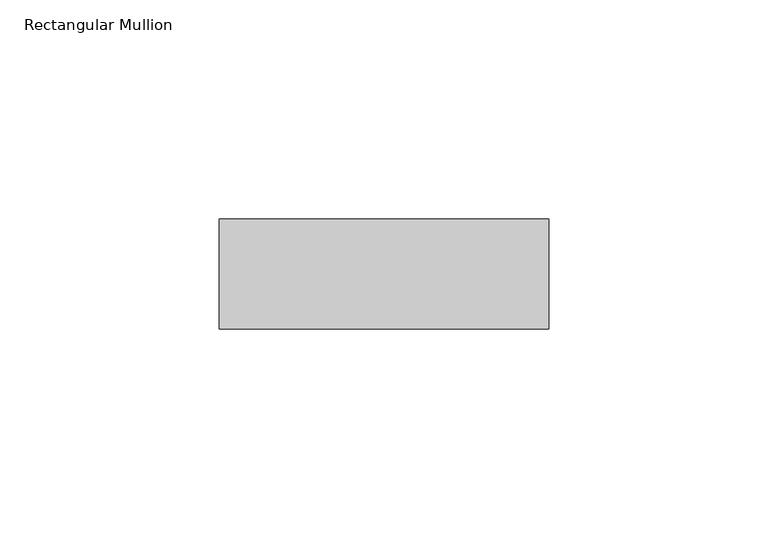
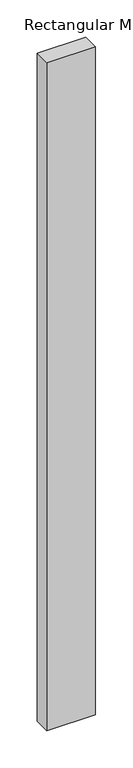
"""IFC4 building model written with IfcOpenShell, lengths in millimetres: member geometry, Rectangular Mullion."""

from ifc_helpers import new_model, si_unit, frame, origin, place, context, project, spatial, polyline, outline, extrude, source, transform, mapped, element, save


def rectangular_mullion_1dc6b7a3(model_context):
    return source(origin(), model_context, "Body", "SweptSolid", [
        extrude(outline(polyline([(50.0, -2.5), (50.0, -27.5), (-25.0, -27.5), (-25.0, -2.5), (50.0, -2.5)])), frame((0.0, 0.0, -1090.0), z_axis=(0.0, 0.0, 1.0), x_axis=(1.0, 0.0, 0.0)), (0.0, 0.0, 1.0), 1090.0),
    ])


if __name__ == "__main__":
    model = new_model("IFC4")
    model_context = context("Model", 3, world=origin())
    ifc_project = project(units=[si_unit("LENGTHUNIT", "METRE", prefix="MILLI")], contexts=[model_context])
    site = spatial("IfcSite", under=ifc_project)
    building = spatial("IfcBuilding", under=site)
    placement = place(None, origin())
    rectangular_mullion_shape = rectangular_mullion_1dc6b7a3(model_context)
    element("IfcMember", 1, ObjectType="Rectangular Mullion", at=placement, inside=building, context=model_context, shape_type="MappedRepresentation", body=[
        mapped(rectangular_mullion_shape, transform((0.0, 0.0, 0.0), x_axis=(1.0, 0.0, 0.0), y_axis=(0.0, 1.0, 0.0), z_axis=(0.0, 0.0, 1.0))),
    ])
    save(model, "model.ifc")
